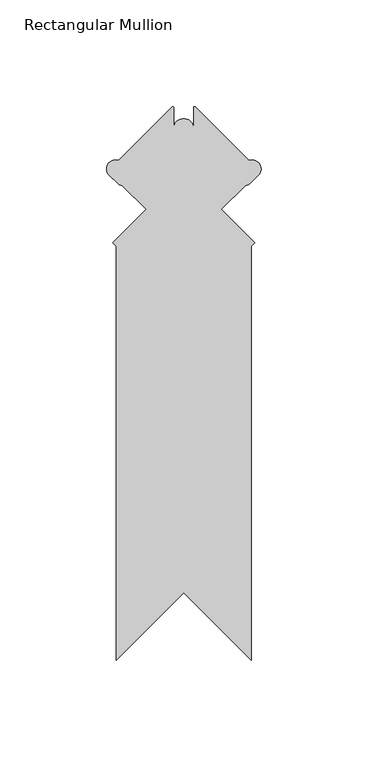
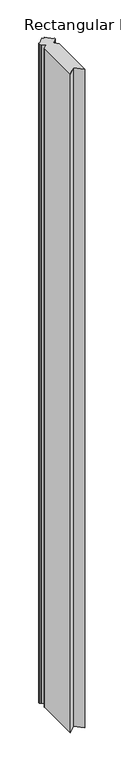
"""IFC4 building model written with IfcOpenShell, lengths in millimetres: member geometry, Rectangular Mullion."""

import ifcopenshell
import ifcopenshell.guid

model = None  # the IFC model being written
_history = None  # IfcOwnerHistory: only IFC2X3 demands one
_inside = {}  # id of a spatial element -> (the spatial element, [elements in it])
_under = {}  # id of a project, library or spatial element -> (it, [spatial elements below it])
_declared = {}  # id of a project -> (the project, [libraries it declares])
_typed = {}  # id of a type object -> (the type object, [elements of that type])
_made_of = {}  # id of a material, layer set ... -> (it, [elements and type objects made of it])


def new_model(schema):
    """Start an empty IFC model of exactly this schema.

    Asked for "IFC4X3", IfcOpenShell would pick the latest addendum, in which some entities
    have other attributes; the version numbers below select the first issue.
    IFC2X3 requires an IfcOwnerHistory on every rooted entity: one is made here for all.
    """
    global model, _history
    if schema == "IFC4X3":
        model = ifcopenshell.file(schema_version=(4, 3, 0, 0))
    else:
        model = ifcopenshell.file(schema=schema)
    _inside.clear()
    _under.clear()
    _declared.clear()
    _typed.clear()
    _made_of.clear()
    _history = None
    if model.schema == "IFC2X3":
        org = make("IfcOrganization", Name="unknown")
        user = make(
            "IfcPersonAndOrganization",
            ThePerson=make("IfcPerson", FamilyName="unknown"),
            TheOrganization=org,
        )
        app = make(
            "IfcApplication",
            ApplicationDeveloper=org,
            Version="unknown",
            ApplicationFullName="unknown",
            ApplicationIdentifier="unknown",
        )
        _history = make(
            "IfcOwnerHistory",
            OwningUser=user,
            OwningApplication=app,
            ChangeAction="ADDED",
            CreationDate=0,
        )
    return model


def make(cls, **values):
    """One entity of the class cls with the attributes given. An attribute that is None is left unset."""
    return model.create_entity(
        cls, **{name: value for name, value in values.items() if value is not None}
    )


def rooted(cls, **values):
    """An entity with a GlobalId (a new one), such as an element, a storey or a relation."""
    return make(cls, GlobalId=ifcopenshell.guid.new(), OwnerHistory=_history, **values)


def si_unit(unit_type, name, prefix=None):
    """IfcSIUnit, for example si_unit("LENGTHUNIT", "METRE", prefix="MILLI")."""
    return make("IfcSIUnit", UnitType=unit_type, Prefix=prefix, Name=name)


def assignment(units):
    """IfcUnitAssignment: the units of a project."""
    return None if units is None else make("IfcUnitAssignment", Units=units)


def point(xyz):
    """IfcCartesianPoint."""
    return None if xyz is None else make("IfcCartesianPoint", Coordinates=xyz)


def direction(xyz):
    """IfcDirection."""
    return None if xyz is None else make("IfcDirection", DirectionRatios=xyz)


def frame(location, z_axis=None, x_axis=None):
    """IfcAxis2Placement3D, a coordinate frame: its origin and axes. An axis left out is left unset."""
    return make(
        "IfcAxis2Placement3D",
        Location=point(location),
        Axis=direction(z_axis),
        RefDirection=direction(x_axis),
    )


def frame_2d(location, x_axis=None):
    """IfcAxis2Placement2D, a coordinate frame in the plane: its origin and x axis."""
    return make(
        "IfcAxis2Placement2D", Location=point(location), RefDirection=direction(x_axis)
    )


def origin():
    """The frame at (0, 0, 0) with its axes left unset."""
    return frame((0.0, 0.0, 0.0))


def place(relative_to, where):
    """IfcLocalPlacement: puts the frame where relative to a parent placement (None: the world)."""
    return make(
        "IfcLocalPlacement", PlacementRelTo=relative_to, RelativePlacement=where
    )


def context(
    kind, dimensions, precision=None, world=None, true_north=None, identifier=None
):
    """IfcGeometricRepresentationContext, for example the 3D "Model" context."""
    return make(
        "IfcGeometricRepresentationContext",
        ContextIdentifier=identifier,
        ContextType=kind,
        CoordinateSpaceDimension=dimensions,
        Precision=precision,
        WorldCoordinateSystem=world,
        TrueNorth=true_north,
    )


def project(units=None, contexts=None):
    """IfcProject with its units and contexts."""
    return rooted(
        "IfcProject",
        Name="project",
        RepresentationContexts=contexts,
        UnitsInContext=assignment(units),
    )


def spatial(cls, under=None, at=None, **own):
    """A site, building, storey or space (cls), placed at a placement, below another one or the project."""
    s = rooted(cls, ObjectPlacement=at, **own)
    if under is not None:
        _under.setdefault(under.id(), (under, []))[1].append(s)
    return s


def polyline(points):
    """IfcPolyline through the points."""
    return make("IfcPolyline", Points=[point(p) for p in points])


def circle_curve(where, radius):
    """IfcCircle in the frame where."""
    return make("IfcCircle", Position=where, Radius=radius)


def trimmed(basis, trim1, trim2, sense, master):
    """IfcTrimmedCurve: the piece of a basis curve between two trims."""
    return make(
        "IfcTrimmedCurve",
        BasisCurve=basis,
        Trim1=trim1,
        Trim2=trim2,
        SenseAgreement=sense,
        MasterRepresentation=master,
    )


def segment(curve, same_sense, transition):
    """IfcCompositeCurveSegment."""
    return make(
        "IfcCompositeCurveSegment",
        Transition=transition,
        SameSense=same_sense,
        ParentCurve=curve,
    )


def composite_curve(segments, self_intersect=None):
    """IfcCompositeCurve: segments joined end to end."""
    return make("IfcCompositeCurve", Segments=segments, SelfIntersect=self_intersect)


def outline(outer, holes=None, kind="AREA"):
    """IfcArbitraryClosedProfileDef: a profile drawn as a closed curve; with holes, ...WithVoids."""
    if holes is None:
        return make("IfcArbitraryClosedProfileDef", ProfileType=kind, OuterCurve=outer)
    return make(
        "IfcArbitraryProfileDefWithVoids",
        ProfileType=kind,
        OuterCurve=outer,
        InnerCurves=holes,
    )


def extrude(swept, where, along, depth):
    """IfcExtrudedAreaSolid: the profile swept, set in the frame where, extruded along a direction by depth."""
    return make(
        "IfcExtrudedAreaSolid",
        SweptArea=swept,
        Position=where,
        ExtrudedDirection=direction(along),
        Depth=depth,
    )


def shape(context_of_items, identifier, shape_type, items):
    """IfcShapeRepresentation: the items that make up one representation, for example the "Body"."""
    return make(
        "IfcShapeRepresentation",
        ContextOfItems=context_of_items,
        RepresentationIdentifier=identifier,
        RepresentationType=shape_type,
        Items=items,
    )


def source(mapping_origin, context_of_items, identifier, shape_type, items):
    """IfcRepresentationMap: a shape defined once, which mapped items show again and again."""
    return make(
        "IfcRepresentationMap",
        MappingOrigin=mapping_origin,
        MappedRepresentation=shape(context_of_items, identifier, shape_type, items),
    )


def transform(
    local_origin,
    x_axis=None,
    y_axis=None,
    z_axis=None,
    scale=None,
    scale2=None,
    scale3=None,
    uniform=True,
):
    """IfcCartesianTransformationOperator3D, or its non-uniform kind. x_axis, y_axis, z_axis: its Axis1, 2, 3."""
    if uniform:
        return make(
            "IfcCartesianTransformationOperator3D",
            Axis1=direction(x_axis),
            Axis2=direction(y_axis),
            LocalOrigin=point(local_origin),
            Scale=scale,
            Axis3=direction(z_axis),
        )
    return make(
        "IfcCartesianTransformationOperator3DnonUniform",
        Axis1=direction(x_axis),
        Axis2=direction(y_axis),
        LocalOrigin=point(local_origin),
        Scale=scale,
        Axis3=direction(z_axis),
        Scale2=scale2,
        Scale3=scale3,
    )


def mapped(mapping_source, mapping_target):
    """IfcMappedItem: shows the shape of a source again, moved by a transform."""
    return make(
        "IfcMappedItem", MappingSource=mapping_source, MappingTarget=mapping_target
    )


def made_of(thing, what):
    """Note that an element or type object is made of a material, layer set ...; save() writes the relation."""
    if what is not None:
        _made_of.setdefault(what.id(), (what, []))[1].append(thing)
    return thing


def element(
    cls,
    number,
    at=None,
    inside=None,
    cuts=None,
    type_object=None,
    material=None,
    context=None,
    identifier="Body",
    shape_type=None,
    held_by="IfcProductDefinitionShape",
    body=None,
    shapes=None,
    **own,
):
    """One element of the class cls, such as IfcWall. Its Tag is "e" and its number.

    at: its placement. inside: the storey or other place that contains it. cuts: it is an
    opening in that element (IfcRelVoidsElement). A single representation is given by context,
    identifier, shape_type and body (its items); several are given by shapes. held_by: the class
    of the entity that holds the representations. save() writes the other relations.
    """
    e = rooted(cls, Tag="e%d" % number, ObjectPlacement=at, **own)
    if body is not None:
        shapes = [shape(context, identifier, shape_type, body)]
    if shapes is not None:
        e.Representation = make(held_by, Representations=shapes)
    if inside is not None:
        _inside.setdefault(inside.id(), (inside, []))[1].append(e)
    if cuts is not None:
        rooted(
            "IfcRelVoidsElement", RelatingBuildingElement=cuts, RelatedOpeningElement=e
        )
    if type_object is not None:
        _typed.setdefault(type_object.id(), (type_object, []))[1].append(e)
    return made_of(e, material)


def aggregate(whole, parts):
    """IfcRelAggregates: a whole, such as a stair, and the parts it consists of."""
    return rooted("IfcRelAggregates", RelatingObject=whole, RelatedObjects=parts)


def save(model, path):
    """Write the relations noted so far, then the file.

    IfcRelAggregates (storeys below a building ...), IfcRelContainedInSpatialStructure (elements
    in a storey), IfcRelDefinesByType, IfcRelAssociatesMaterial and IfcRelDeclares: one each for
    every whole, place, type object, material and project.
    """
    for whole, parts in _under.values():
        aggregate(whole, parts)
    for where, things in _inside.values():
        rooted(
            "IfcRelContainedInSpatialStructure",
            RelatedElements=things,
            RelatingStructure=where,
        )
    for kind, things in _typed.values():
        rooted("IfcRelDefinesByType", RelatedObjects=things, RelatingType=kind)
    for what, things in _made_of.values():
        rooted("IfcRelAssociatesMaterial", RelatedObjects=things, RelatingMaterial=what)
    for by, libraries in _declared.values():
        rooted("IfcRelDeclares", RelatingContext=by, RelatedDefinitions=libraries)
    model.write(path)


def rectangular_mullion_f0e08ada(model_context):
    return source(origin(), model_context, "Body", "SweptSolid", [
        extrude(outline(composite_curve([segment(polyline([(-68.018975, -91.7864008), (-68.018975, 102.5463417), (-69.6354211, 104.1627878), (-53.9199729, 119.878236), (-65.154897, 131.1131601)]), True, "CONTINUOUS"), segment(trimmed(circle_curve(frame_2d((-64.739074, 135.3221875)), 4.2295178), [point((-65.154897, 131.1131601))], [point((-67.1372768, 131.838304))], False, "CARTESIAN"), True, "CONTINUOUS"), segment(polyline([(-67.1372768, 131.838304), (-71.7923158, 136.493343)]), True, "CONTINUOUS"), segment(trimmed(circle_curve(frame_2d((-68.3084323, 138.8915458)), 4.2295178), [point((-71.7923158, 136.493343))], [point((-66.8555427, 142.8636903))], False, "CARTESIAN"), True, "CONTINUOUS"), segment(polyline([(-66.8555427, 142.8636903), (-41.6818827, 168.0373504)]), True, "CONTINUOUS"), segment(trimmed(circle_curve(frame_2d((-41.412475, 167.7679427)), 0.381), [point((-41.6818827, 168.0373504))], [point((-41.031475, 167.7679427))], False, "CARTESIAN"), True, "CONTINUOUS"), segment(polyline([(-41.031475, 167.7679427), (-41.031475, 158.297062)]), True, "CONTINUOUS"), segment(trimmed(circle_curve(frame_2d((-36.3047631, 157.744944)), 4.7588485), [point((-41.031475, 158.297062))], [point((-31.5560844, 158.0558936))], False, "CARTESIAN"), True, "CONTINUOUS"), segment(polyline([(-31.5560844, 158.0558936), (-31.5560844, 167.8175521)]), True, "CONTINUOUS"), segment(trimmed(circle_curve(frame_2d((-31.1750844, 167.8175521)), 0.381), [point((-31.5560844, 167.8175521))], [point((-30.9056767, 168.0869597))], False, "CARTESIAN"), True, "CONTINUOUS"), segment(polyline([(-30.9056767, 168.0869597), (-5.6824073, 142.8636903)]), True, "CONTINUOUS"), segment(trimmed(circle_curve(frame_2d((-4.2295178, 138.8915458)), 4.2295178), [point((-5.6824073, 142.8636903))], [point((-0.7456343, 136.493343))], False, "CARTESIAN"), True, "CONTINUOUS"), segment(polyline([(-0.7456343, 136.493343), (-5.4006733, 131.838304)]), True, "CONTINUOUS"), segment(trimmed(circle_curve(frame_2d((-7.7988761, 135.3221875)), 4.2295178), [point((-5.4006733, 131.838304))], [point((-7.3830531, 131.1131601))], False, "CARTESIAN"), True, "CONTINUOUS"), segment(polyline([(-7.3830531, 131.1131601), (-18.6179771, 119.878236), (-2.9025289, 104.1627878), (-4.518975, 102.5463417), (-4.518975, -91.7864006), (-36.2689749, -60.0364007), (-68.018975, -91.7864008)]), True, "CONTINUOUS")], self_intersect=False)), frame((0.0, 0.0, -3048.0), z_axis=(0.0, 0.0, 1.0), x_axis=(1.0, 0.0, 0.0)), (0.0, 0.0, 1.0), 3048.0),
    ])


if __name__ == "__main__":
    model = new_model("IFC4")
    model_context = context("Model", 3, world=origin())
    ifc_project = project(units=[si_unit("LENGTHUNIT", "METRE", prefix="MILLI")], contexts=[model_context])
    site = spatial("IfcSite", under=ifc_project)
    building = spatial("IfcBuilding", under=site)
    placement = place(None, origin())
    rectangular_mullion_shape = rectangular_mullion_f0e08ada(model_context)
    element("IfcMember", 1, ObjectType="Rectangular Mullion", at=placement, inside=building, context=model_context, shape_type="MappedRepresentation", body=[
        mapped(rectangular_mullion_shape, transform((0.0, 0.0, 0.0), x_axis=(1.0, 0.0, 0.0), y_axis=(0.0, 1.0, 0.0), z_axis=(0.0, 0.0, 1.0))),
    ])
    save(model, "model.ifc")
